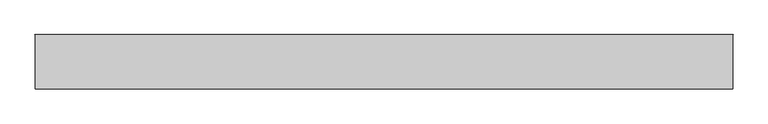
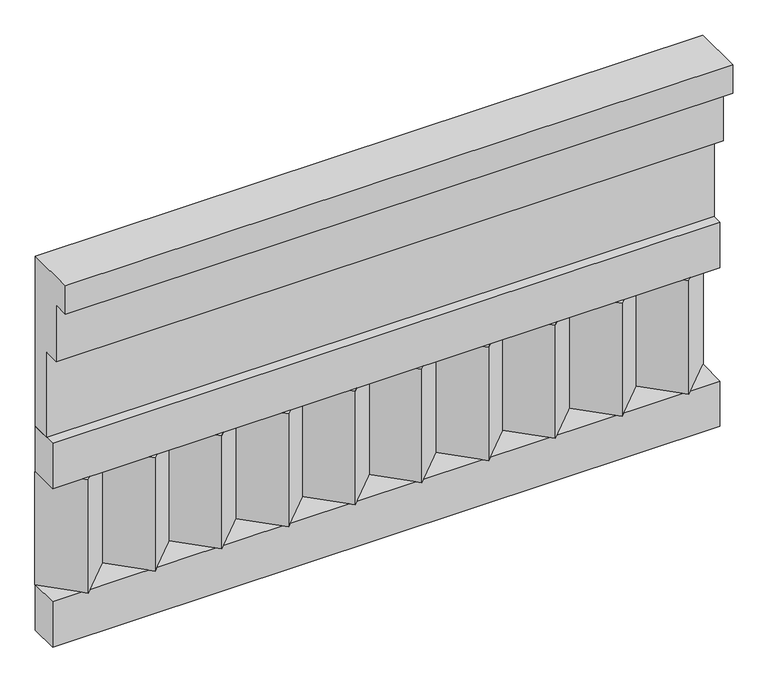
"""IFC4 building model written with IfcOpenShell, lengths in millimetres: railing geometry."""

import ifcopenshell
import ifcopenshell.guid

model = None  # the IFC model being written
_history = None  # IfcOwnerHistory: only IFC2X3 demands one
_inside = {}  # id of a spatial element -> (the spatial element, [elements in it])
_under = {}  # id of a project, library or spatial element -> (it, [spatial elements below it])
_declared = {}  # id of a project -> (the project, [libraries it declares])
_typed = {}  # id of a type object -> (the type object, [elements of that type])
_made_of = {}  # id of a material, layer set ... -> (it, [elements and type objects made of it])


def new_model(schema):
    """Start an empty IFC model of exactly this schema.

    Asked for "IFC4X3", IfcOpenShell would pick the latest addendum, in which some entities
    have other attributes; the version numbers below select the first issue.
    IFC2X3 requires an IfcOwnerHistory on every rooted entity: one is made here for all.
    """
    global model, _history
    if schema == "IFC4X3":
        model = ifcopenshell.file(schema_version=(4, 3, 0, 0))
    else:
        model = ifcopenshell.file(schema=schema)
    _inside.clear()
    _under.clear()
    _declared.clear()
    _typed.clear()
    _made_of.clear()
    _history = None
    if model.schema == "IFC2X3":
        org = make("IfcOrganization", Name="unknown")
        user = make(
            "IfcPersonAndOrganization",
            ThePerson=make("IfcPerson", FamilyName="unknown"),
            TheOrganization=org,
        )
        app = make(
            "IfcApplication",
            ApplicationDeveloper=org,
            Version="unknown",
            ApplicationFullName="unknown",
            ApplicationIdentifier="unknown",
        )
        _history = make(
            "IfcOwnerHistory",
            OwningUser=user,
            OwningApplication=app,
            ChangeAction="ADDED",
            CreationDate=0,
        )
    return model


def make(cls, **values):
    """One entity of the class cls with the attributes given. An attribute that is None is left unset."""
    return model.create_entity(
        cls, **{name: value for name, value in values.items() if value is not None}
    )


def rooted(cls, **values):
    """An entity with a GlobalId (a new one), such as an element, a storey or a relation."""
    return make(cls, GlobalId=ifcopenshell.guid.new(), OwnerHistory=_history, **values)


def si_unit(unit_type, name, prefix=None):
    """IfcSIUnit, for example si_unit("LENGTHUNIT", "METRE", prefix="MILLI")."""
    return make("IfcSIUnit", UnitType=unit_type, Prefix=prefix, Name=name)


def assignment(units):
    """IfcUnitAssignment: the units of a project."""
    return None if units is None else make("IfcUnitAssignment", Units=units)


def point(xyz):
    """IfcCartesianPoint."""
    return None if xyz is None else make("IfcCartesianPoint", Coordinates=xyz)


def direction(xyz):
    """IfcDirection."""
    return None if xyz is None else make("IfcDirection", DirectionRatios=xyz)


def frame(location, z_axis=None, x_axis=None):
    """IfcAxis2Placement3D, a coordinate frame: its origin and axes. An axis left out is left unset."""
    return make(
        "IfcAxis2Placement3D",
        Location=point(location),
        Axis=direction(z_axis),
        RefDirection=direction(x_axis),
    )


def origin():
    """The frame at (0, 0, 0) with its axes left unset."""
    return frame((0.0, 0.0, 0.0))


def place(relative_to, where):
    """IfcLocalPlacement: puts the frame where relative to a parent placement (None: the world)."""
    return make(
        "IfcLocalPlacement", PlacementRelTo=relative_to, RelativePlacement=where
    )


def context(
    kind, dimensions, precision=None, world=None, true_north=None, identifier=None
):
    """IfcGeometricRepresentationContext, for example the 3D "Model" context."""
    return make(
        "IfcGeometricRepresentationContext",
        ContextIdentifier=identifier,
        ContextType=kind,
        CoordinateSpaceDimension=dimensions,
        Precision=precision,
        WorldCoordinateSystem=world,
        TrueNorth=true_north,
    )


def project(units=None, contexts=None):
    """IfcProject with its units and contexts."""
    return rooted(
        "IfcProject",
        Name="project",
        RepresentationContexts=contexts,
        UnitsInContext=assignment(units),
    )


def spatial(cls, under=None, at=None, **own):
    """A site, building, storey or space (cls), placed at a placement, below another one or the project."""
    s = rooted(cls, ObjectPlacement=at, **own)
    if under is not None:
        _under.setdefault(under.id(), (under, []))[1].append(s)
    return s


def polyline(points):
    """IfcPolyline through the points."""
    return make("IfcPolyline", Points=[point(p) for p in points])


def outline(outer, holes=None, kind="AREA"):
    """IfcArbitraryClosedProfileDef: a profile drawn as a closed curve; with holes, ...WithVoids."""
    if holes is None:
        return make("IfcArbitraryClosedProfileDef", ProfileType=kind, OuterCurve=outer)
    return make(
        "IfcArbitraryProfileDefWithVoids",
        ProfileType=kind,
        OuterCurve=outer,
        InnerCurves=holes,
    )


def extrude(swept, where, along, depth):
    """IfcExtrudedAreaSolid: the profile swept, set in the frame where, extruded along a direction by depth."""
    return make(
        "IfcExtrudedAreaSolid",
        SweptArea=swept,
        Position=where,
        ExtrudedDirection=direction(along),
        Depth=depth,
    )


def shape(context_of_items, identifier, shape_type, items):
    """IfcShapeRepresentation: the items that make up one representation, for example the "Body"."""
    return make(
        "IfcShapeRepresentation",
        ContextOfItems=context_of_items,
        RepresentationIdentifier=identifier,
        RepresentationType=shape_type,
        Items=items,
    )


def source(mapping_origin, context_of_items, identifier, shape_type, items):
    """IfcRepresentationMap: a shape defined once, which mapped items show again and again."""
    return make(
        "IfcRepresentationMap",
        MappingOrigin=mapping_origin,
        MappedRepresentation=shape(context_of_items, identifier, shape_type, items),
    )


def transform(
    local_origin,
    x_axis=None,
    y_axis=None,
    z_axis=None,
    scale=None,
    scale2=None,
    scale3=None,
    uniform=True,
):
    """IfcCartesianTransformationOperator3D, or its non-uniform kind. x_axis, y_axis, z_axis: its Axis1, 2, 3."""
    if uniform:
        return make(
            "IfcCartesianTransformationOperator3D",
            Axis1=direction(x_axis),
            Axis2=direction(y_axis),
            LocalOrigin=point(local_origin),
            Scale=scale,
            Axis3=direction(z_axis),
        )
    return make(
        "IfcCartesianTransformationOperator3DnonUniform",
        Axis1=direction(x_axis),
        Axis2=direction(y_axis),
        LocalOrigin=point(local_origin),
        Scale=scale,
        Axis3=direction(z_axis),
        Scale2=scale2,
        Scale3=scale3,
    )


def mapped(mapping_source, mapping_target):
    """IfcMappedItem: shows the shape of a source again, moved by a transform."""
    return make(
        "IfcMappedItem", MappingSource=mapping_source, MappingTarget=mapping_target
    )


def made_of(thing, what):
    """Note that an element or type object is made of a material, layer set ...; save() writes the relation."""
    if what is not None:
        _made_of.setdefault(what.id(), (what, []))[1].append(thing)
    return thing


def element(
    cls,
    number,
    at=None,
    inside=None,
    cuts=None,
    type_object=None,
    material=None,
    context=None,
    identifier="Body",
    shape_type=None,
    held_by="IfcProductDefinitionShape",
    body=None,
    shapes=None,
    **own,
):
    """One element of the class cls, such as IfcWall. Its Tag is "e" and its number.

    at: its placement. inside: the storey or other place that contains it. cuts: it is an
    opening in that element (IfcRelVoidsElement). A single representation is given by context,
    identifier, shape_type and body (its items); several are given by shapes. held_by: the class
    of the entity that holds the representations. save() writes the other relations.
    """
    e = rooted(cls, Tag="e%d" % number, ObjectPlacement=at, **own)
    if body is not None:
        shapes = [shape(context, identifier, shape_type, body)]
    if shapes is not None:
        e.Representation = make(held_by, Representations=shapes)
    if inside is not None:
        _inside.setdefault(inside.id(), (inside, []))[1].append(e)
    if cuts is not None:
        rooted(
            "IfcRelVoidsElement", RelatingBuildingElement=cuts, RelatedOpeningElement=e
        )
    if type_object is not None:
        _typed.setdefault(type_object.id(), (type_object, []))[1].append(e)
    return made_of(e, material)


def aggregate(whole, parts):
    """IfcRelAggregates: a whole, such as a stair, and the parts it consists of."""
    return rooted("IfcRelAggregates", RelatingObject=whole, RelatedObjects=parts)


def save(model, path):
    """Write the relations noted so far, then the file.

    IfcRelAggregates (storeys below a building ...), IfcRelContainedInSpatialStructure (elements
    in a storey), IfcRelDefinesByType, IfcRelAssociatesMaterial and IfcRelDeclares: one each for
    every whole, place, type object, material and project.
    """
    for whole, parts in _under.values():
        aggregate(whole, parts)
    for where, things in _inside.values():
        rooted(
            "IfcRelContainedInSpatialStructure",
            RelatedElements=things,
            RelatingStructure=where,
        )
    for kind, things in _typed.values():
        rooted("IfcRelDefinesByType", RelatedObjects=things, RelatingType=kind)
    for what, things in _made_of.values():
        rooted("IfcRelAssociatesMaterial", RelatedObjects=things, RelatingMaterial=what)
    for by, libraries in _declared.values():
        rooted("IfcRelDeclares", RelatingContext=by, RelatedDefinitions=libraries)
    model.write(path)


def railing_66913999(model_context):
    return source(origin(), model_context, "Body", "SweptSolid", [
        extrude(outline(polyline([(-16816.8920513, 28400.0), (-16816.8920513, 27950.0), (-16866.8920513, 27950.0), (-16866.8920513, 28175.0), (-16906.8920513, 28175.0), (-16906.8920513, 28325.0), (-16946.8920513, 28325.0), (-16946.8920513, 28400.0), (-16816.8920513, 28400.0)])), frame((5490.0112841, 0.0, 0.0), z_axis=(1.0, 0.0, 0.0), x_axis=(0.0, 1.0, 0.0)), (0.0, 0.0, 1.0), 1670.0),
        extrude(outline(polyline([(5490.0112841, -16891.8920513), (5490.0112841, -16816.8920513), (7160.0112841, -16816.8920513), (7160.0112841, -16891.8920513), (5490.0112841, -16891.8920513)])), frame((0.0, 0.0, 27830.0), z_axis=(0.0, 0.0, 1.0), x_axis=(1.0, 0.0, 0.0)), (0.0, 0.0, 1.0), 120.0),
        extrude(outline(polyline([(5490.0112841, -16891.8920513), (5490.0112841, -16816.8920513), (7160.0112841, -16816.8920513), (7160.0112841, -16891.8920513), (5490.0112841, -16891.8920513)])), frame((0.0, 0.0, 27410.0), z_axis=(0.0, 0.0, 1.0), x_axis=(1.0, 0.0, 0.0)), (0.0, 0.0, 1.0), 120.0),
        extrude(outline(polyline([(7076.5112841, -16901.7448651), (6991.6584704, -16816.8920513), (7161.3640978, -16816.8920513), (7076.5112841, -16901.7448651)])), frame((0.0, 0.0, 27530.0), z_axis=(0.0, 0.0, 1.0), x_axis=(1.0, 0.0, 0.0)), (0.0, 0.0, 1.0), 300.0),
        extrude(outline(polyline([(6909.5112841, -16901.7448651), (6824.6584704, -16816.8920513), (6994.3640978, -16816.8920513), (6909.5112841, -16901.7448651)])), frame((0.0, 0.0, 27530.0), z_axis=(0.0, 0.0, 1.0), x_axis=(1.0, 0.0, 0.0)), (0.0, 0.0, 1.0), 300.0),
        extrude(outline(polyline([(6742.5112841, -16901.7448651), (6657.6584704, -16816.8920513), (6827.3640978, -16816.8920513), (6742.5112841, -16901.7448651)])), frame((0.0, 0.0, 27530.0), z_axis=(0.0, 0.0, 1.0), x_axis=(1.0, 0.0, 0.0)), (0.0, 0.0, 1.0), 300.0),
        extrude(outline(polyline([(6575.5112841, -16901.7448651), (6490.6584704, -16816.8920513), (6660.3640978, -16816.8920513), (6575.5112841, -16901.7448651)])), frame((0.0, 0.0, 27530.0), z_axis=(0.0, 0.0, 1.0), x_axis=(1.0, 0.0, 0.0)), (0.0, 0.0, 1.0), 300.0),
        extrude(outline(polyline([(6408.5112841, -16901.7448651), (6323.6584704, -16816.8920513), (6493.3640978, -16816.8920513), (6408.5112841, -16901.7448651)])), frame((0.0, 0.0, 27530.0), z_axis=(0.0, 0.0, 1.0), x_axis=(1.0, 0.0, 0.0)), (0.0, 0.0, 1.0), 300.0),
        extrude(outline(polyline([(6241.5112841, -16901.7448651), (6156.6584704, -16816.8920513), (6326.3640978, -16816.8920513), (6241.5112841, -16901.7448651)])), frame((0.0, 0.0, 27530.0), z_axis=(0.0, 0.0, 1.0), x_axis=(1.0, 0.0, 0.0)), (0.0, 0.0, 1.0), 300.0),
        extrude(outline(polyline([(6074.5112841, -16901.7448651), (5989.6584704, -16816.8920513), (6159.3640978, -16816.8920513), (6074.5112841, -16901.7448651)])), frame((0.0, 0.0, 27530.0), z_axis=(0.0, 0.0, 1.0), x_axis=(1.0, 0.0, 0.0)), (0.0, 0.0, 1.0), 300.0),
        extrude(outline(polyline([(5907.5112841, -16901.7448651), (5822.6584704, -16816.8920513), (5992.3640978, -16816.8920513), (5907.5112841, -16901.7448651)])), frame((0.0, 0.0, 27530.0), z_axis=(0.0, 0.0, 1.0), x_axis=(1.0, 0.0, 0.0)), (0.0, 0.0, 1.0), 300.0),
        extrude(outline(polyline([(5740.5112841, -16901.7448651), (5655.6584704, -16816.8920513), (5825.3640978, -16816.8920513), (5740.5112841, -16901.7448651)])), frame((0.0, 0.0, 27530.0), z_axis=(0.0, 0.0, 1.0), x_axis=(1.0, 0.0, 0.0)), (0.0, 0.0, 1.0), 300.0),
        extrude(outline(polyline([(5573.5112841, -16901.7448651), (5488.6584704, -16816.8920513), (5658.3640978, -16816.8920513), (5573.5112841, -16901.7448651)])), frame((0.0, 0.0, 27530.0), z_axis=(0.0, 0.0, 1.0), x_axis=(1.0, 0.0, 0.0)), (0.0, 0.0, 1.0), 300.0),
    ])


if __name__ == "__main__":
    model = new_model("IFC4")
    model_context = context("Model", 3, world=origin())
    ifc_project = project(units=[si_unit("LENGTHUNIT", "METRE", prefix="MILLI")], contexts=[model_context])
    site = spatial("IfcSite", under=ifc_project)
    building = spatial("IfcBuilding", under=site)
    placement = place(None, origin())
    railing_shape = railing_66913999(model_context)
    element("IfcRailing", 1, at=placement, inside=building, context=model_context, shape_type="MappedRepresentation", body=[
        mapped(railing_shape, transform((0.0, 0.0, 0.0), x_axis=(1.0, 0.0, 0.0), y_axis=(0.0, 1.0, 0.0), z_axis=(0.0, 0.0, 1.0))),
    ])
    save(model, "model.ifc")
